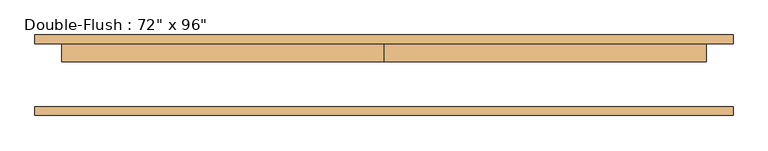
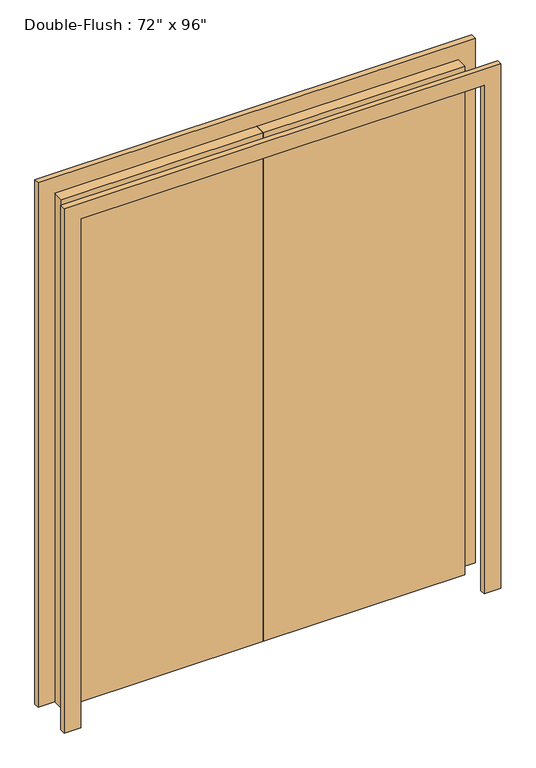
"""IFC4 building model written with IfcOpenShell, lengths in millimetres: door geometry."""

import ifcopenshell
import ifcopenshell.guid

model = None  # the IFC model being written
_history = None  # IfcOwnerHistory: only IFC2X3 demands one
_inside = {}  # id of a spatial element -> (the spatial element, [elements in it])
_under = {}  # id of a project, library or spatial element -> (it, [spatial elements below it])
_declared = {}  # id of a project -> (the project, [libraries it declares])
_typed = {}  # id of a type object -> (the type object, [elements of that type])
_made_of = {}  # id of a material, layer set ... -> (it, [elements and type objects made of it])


def new_model(schema):
    """Start an empty IFC model of exactly this schema.

    Asked for "IFC4X3", IfcOpenShell would pick the latest addendum, in which some entities
    have other attributes; the version numbers below select the first issue.
    IFC2X3 requires an IfcOwnerHistory on every rooted entity: one is made here for all.
    """
    global model, _history
    if schema == "IFC4X3":
        model = ifcopenshell.file(schema_version=(4, 3, 0, 0))
    else:
        model = ifcopenshell.file(schema=schema)
    _inside.clear()
    _under.clear()
    _declared.clear()
    _typed.clear()
    _made_of.clear()
    _history = None
    if model.schema == "IFC2X3":
        org = make("IfcOrganization", Name="unknown")
        user = make(
            "IfcPersonAndOrganization",
            ThePerson=make("IfcPerson", FamilyName="unknown"),
            TheOrganization=org,
        )
        app = make(
            "IfcApplication",
            ApplicationDeveloper=org,
            Version="unknown",
            ApplicationFullName="unknown",
            ApplicationIdentifier="unknown",
        )
        _history = make(
            "IfcOwnerHistory",
            OwningUser=user,
            OwningApplication=app,
            ChangeAction="ADDED",
            CreationDate=0,
        )
    return model


def make(cls, **values):
    """One entity of the class cls with the attributes given. An attribute that is None is left unset."""
    return model.create_entity(
        cls, **{name: value for name, value in values.items() if value is not None}
    )


def rooted(cls, **values):
    """An entity with a GlobalId (a new one), such as an element, a storey or a relation."""
    return make(cls, GlobalId=ifcopenshell.guid.new(), OwnerHistory=_history, **values)


def si_unit(unit_type, name, prefix=None):
    """IfcSIUnit, for example si_unit("LENGTHUNIT", "METRE", prefix="MILLI")."""
    return make("IfcSIUnit", UnitType=unit_type, Prefix=prefix, Name=name)


def assignment(units):
    """IfcUnitAssignment: the units of a project."""
    return None if units is None else make("IfcUnitAssignment", Units=units)


def point(xyz):
    """IfcCartesianPoint."""
    return None if xyz is None else make("IfcCartesianPoint", Coordinates=xyz)


def direction(xyz):
    """IfcDirection."""
    return None if xyz is None else make("IfcDirection", DirectionRatios=xyz)


def frame(location, z_axis=None, x_axis=None):
    """IfcAxis2Placement3D, a coordinate frame: its origin and axes. An axis left out is left unset."""
    return make(
        "IfcAxis2Placement3D",
        Location=point(location),
        Axis=direction(z_axis),
        RefDirection=direction(x_axis),
    )


def origin():
    """The frame at (0, 0, 0) with its axes left unset."""
    return frame((0.0, 0.0, 0.0))


def origin_with_axes():
    """The frame at (0, 0, 0) with the z axis (0, 0, 1) and the x axis (1, 0, 0) written out."""
    return frame((0.0, 0.0, 0.0), z_axis=(0.0, 0.0, 1.0), x_axis=(1.0, 0.0, 0.0))


def place(relative_to, where):
    """IfcLocalPlacement: puts the frame where relative to a parent placement (None: the world)."""
    return make(
        "IfcLocalPlacement", PlacementRelTo=relative_to, RelativePlacement=where
    )


def context(
    kind, dimensions, precision=None, world=None, true_north=None, identifier=None
):
    """IfcGeometricRepresentationContext, for example the 3D "Model" context."""
    return make(
        "IfcGeometricRepresentationContext",
        ContextIdentifier=identifier,
        ContextType=kind,
        CoordinateSpaceDimension=dimensions,
        Precision=precision,
        WorldCoordinateSystem=world,
        TrueNorth=true_north,
    )


def project(units=None, contexts=None):
    """IfcProject with its units and contexts."""
    return rooted(
        "IfcProject",
        Name="project",
        RepresentationContexts=contexts,
        UnitsInContext=assignment(units),
    )


def spatial(cls, under=None, at=None, **own):
    """A site, building, storey or space (cls), placed at a placement, below another one or the project."""
    s = rooted(cls, ObjectPlacement=at, **own)
    if under is not None:
        _under.setdefault(under.id(), (under, []))[1].append(s)
    return s


def polyline(points):
    """IfcPolyline through the points."""
    return make("IfcPolyline", Points=[point(p) for p in points])


def outline(outer, holes=None, kind="AREA"):
    """IfcArbitraryClosedProfileDef: a profile drawn as a closed curve; with holes, ...WithVoids."""
    if holes is None:
        return make("IfcArbitraryClosedProfileDef", ProfileType=kind, OuterCurve=outer)
    return make(
        "IfcArbitraryProfileDefWithVoids",
        ProfileType=kind,
        OuterCurve=outer,
        InnerCurves=holes,
    )


def extrude(swept, where, along, depth):
    """IfcExtrudedAreaSolid: the profile swept, set in the frame where, extruded along a direction by depth."""
    return make(
        "IfcExtrudedAreaSolid",
        SweptArea=swept,
        Position=where,
        ExtrudedDirection=direction(along),
        Depth=depth,
    )


def shape(context_of_items, identifier, shape_type, items):
    """IfcShapeRepresentation: the items that make up one representation, for example the "Body"."""
    return make(
        "IfcShapeRepresentation",
        ContextOfItems=context_of_items,
        RepresentationIdentifier=identifier,
        RepresentationType=shape_type,
        Items=items,
    )


def source(mapping_origin, context_of_items, identifier, shape_type, items):
    """IfcRepresentationMap: a shape defined once, which mapped items show again and again."""
    return make(
        "IfcRepresentationMap",
        MappingOrigin=mapping_origin,
        MappedRepresentation=shape(context_of_items, identifier, shape_type, items),
    )


def transform(
    local_origin,
    x_axis=None,
    y_axis=None,
    z_axis=None,
    scale=None,
    scale2=None,
    scale3=None,
    uniform=True,
):
    """IfcCartesianTransformationOperator3D, or its non-uniform kind. x_axis, y_axis, z_axis: its Axis1, 2, 3."""
    if uniform:
        return make(
            "IfcCartesianTransformationOperator3D",
            Axis1=direction(x_axis),
            Axis2=direction(y_axis),
            LocalOrigin=point(local_origin),
            Scale=scale,
            Axis3=direction(z_axis),
        )
    return make(
        "IfcCartesianTransformationOperator3DnonUniform",
        Axis1=direction(x_axis),
        Axis2=direction(y_axis),
        LocalOrigin=point(local_origin),
        Scale=scale,
        Axis3=direction(z_axis),
        Scale2=scale2,
        Scale3=scale3,
    )


def mapped(mapping_source, mapping_target):
    """IfcMappedItem: shows the shape of a source again, moved by a transform."""
    return make(
        "IfcMappedItem", MappingSource=mapping_source, MappingTarget=mapping_target
    )


def made_of(thing, what):
    """Note that an element or type object is made of a material, layer set ...; save() writes the relation."""
    if what is not None:
        _made_of.setdefault(what.id(), (what, []))[1].append(thing)
    return thing


def element(
    cls,
    number,
    at=None,
    inside=None,
    cuts=None,
    type_object=None,
    material=None,
    context=None,
    identifier="Body",
    shape_type=None,
    held_by="IfcProductDefinitionShape",
    body=None,
    shapes=None,
    **own,
):
    """One element of the class cls, such as IfcWall. Its Tag is "e" and its number.

    at: its placement. inside: the storey or other place that contains it. cuts: it is an
    opening in that element (IfcRelVoidsElement). A single representation is given by context,
    identifier, shape_type and body (its items); several are given by shapes. held_by: the class
    of the entity that holds the representations. save() writes the other relations.
    """
    e = rooted(cls, Tag="e%d" % number, ObjectPlacement=at, **own)
    if body is not None:
        shapes = [shape(context, identifier, shape_type, body)]
    if shapes is not None:
        e.Representation = make(held_by, Representations=shapes)
    if inside is not None:
        _inside.setdefault(inside.id(), (inside, []))[1].append(e)
    if cuts is not None:
        rooted(
            "IfcRelVoidsElement", RelatingBuildingElement=cuts, RelatedOpeningElement=e
        )
    if type_object is not None:
        _typed.setdefault(type_object.id(), (type_object, []))[1].append(e)
    return made_of(e, material)


def aggregate(whole, parts):
    """IfcRelAggregates: a whole, such as a stair, and the parts it consists of."""
    return rooted("IfcRelAggregates", RelatingObject=whole, RelatedObjects=parts)


def save(model, path):
    """Write the relations noted so far, then the file.

    IfcRelAggregates (storeys below a building ...), IfcRelContainedInSpatialStructure (elements
    in a storey), IfcRelDefinesByType, IfcRelAssociatesMaterial and IfcRelDeclares: one each for
    every whole, place, type object, material and project.
    """
    for whole, parts in _under.values():
        aggregate(whole, parts)
    for where, things in _inside.values():
        rooted(
            "IfcRelContainedInSpatialStructure",
            RelatedElements=things,
            RelatingStructure=where,
        )
    for kind, things in _typed.values():
        rooted("IfcRelDefinesByType", RelatedObjects=things, RelatingType=kind)
    for what, things in _made_of.values():
        rooted("IfcRelAssociatesMaterial", RelatedObjects=things, RelatingMaterial=what)
    for by, libraries in _declared.values():
        rooted("IfcRelDeclares", RelatingContext=by, RelatedDefinitions=libraries)
    model.write(path)


def door_d193ba20(model_context):
    return source(origin(), model_context, "Body", "SweptSolid", [
        extrude(outline(polyline([(0.0, 88.9), (914.4, 88.9), (914.4, 38.1), (0.0, 38.1), (0.0, 88.9)])), origin_with_axes(), (0.0, 0.0, 1.0), 2438.4),
        extrude(outline(polyline([(-914.4, 88.9), (0.0, 88.9), (0.0, 38.1), (-914.4, 38.1), (-914.4, 88.9)])), origin_with_axes(), (0.0, 0.0, 1.0), 2438.4),
        extrude(outline(polyline([(2438.4, -914.4), (2438.4, 914.4), (0.0, 914.4), (0.0, 990.6), (2514.6, 990.6), (2514.6, -990.6), (0.0, -990.6), (0.0, -914.4), (2438.4, -914.4)])), frame((0.0, -114.3, 0.0), z_axis=(0.0, 1.0, 0.0), x_axis=(0.0, 0.0, 1.0)), (0.0, 0.0, 1.0), 25.4),
        extrude(outline(polyline([(2438.4, -914.4), (2438.4, 914.4), (0.0, 914.4), (0.0, 990.6), (2514.6, 990.6), (2514.6, -990.6), (0.0, -990.6), (0.0, -914.4), (2438.4, -914.4)])), frame((0.0, 88.9, 0.0), z_axis=(0.0, 1.0, 0.0), x_axis=(0.0, 0.0, 1.0)), (0.0, 0.0, 1.0), 25.4),
    ])


if __name__ == "__main__":
    model = new_model("IFC4")
    model_context = context("Model", 3, world=origin())
    ifc_project = project(units=[si_unit("LENGTHUNIT", "METRE", prefix="MILLI")], contexts=[model_context])
    site = spatial("IfcSite", under=ifc_project)
    building = spatial("IfcBuilding", under=site)
    placement = place(None, origin())
    door_shape = door_d193ba20(model_context)
    element("IfcDoor", 1, ObjectType="Double-Flush : 72\" x 96\"", at=placement, inside=building, context=model_context, shape_type="MappedRepresentation", body=[
        mapped(door_shape, transform((0.0, 0.0, 0.0), x_axis=(1.0, 0.0, 0.0), y_axis=(0.0, 1.0, 0.0), z_axis=(0.0, 0.0, 1.0))),
    ])
    save(model, "model.ifc")
